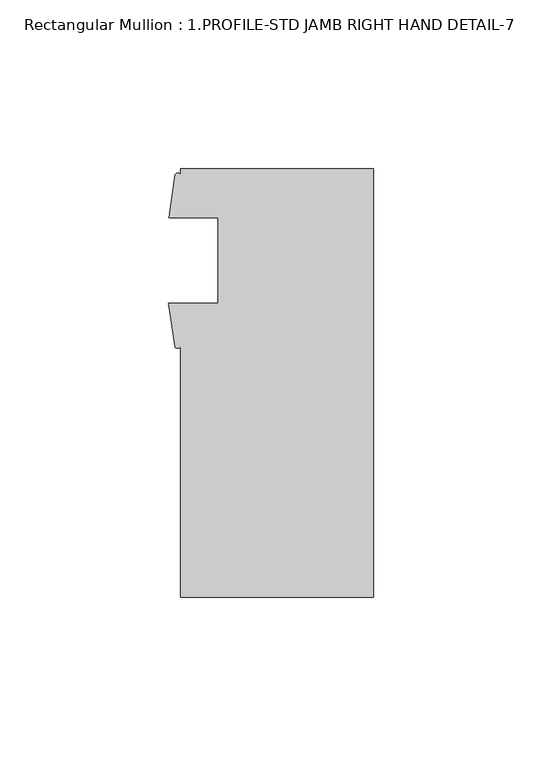
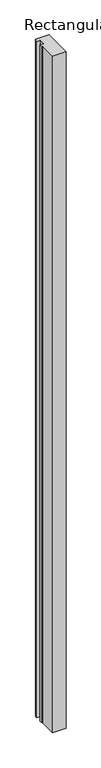
"""IFC4 building model written with IfcOpenShell, lengths in millimetres: member geometry, Rectangular Mullion : 1.PROFILE-STD JAMB RIGHT HAND DETAIL-7."""

from ifc_helpers import new_model, si_unit, point, frame, frame_2d, origin, place, context, project, spatial, polyline, circle_curve, trimmed, segment, composite_curve, outline, extrude, source, transform, mapped, element, save


def rectangular_mullion_1_profile_std_jamb_right_hand_detail_7_5f39181d(model_context):
    return source(origin(), model_context, "Body", "SweptSolid", [
        extrude(outline(composite_curve([segment(polyline([(0.0, -66.2412316), (-57.15, -66.2412316), (-57.15, 8.0821906)]), True, "CONTINUOUS"), segment(trimmed(circle_curve(frame_2d((-57.9817022, 8.6024897)), 0.9810401), [point((-57.15, 8.0821906))], [point((-58.8134044, 8.0821906))], False, "CARTESIAN"), True, "CONTINUOUS"), segment(polyline([(-58.8134044, 8.0821906), (-60.6695217, 20.8552434), (-46.0375, 20.8552434), (-46.0375, 46.2552434), (-60.546, 46.2552434), (-58.7358963, 59.026531)]), True, "CONTINUOUS"), segment(trimmed(circle_curve(frame_2d((-57.9429481, 58.5553073)), 0.9223982), [point((-58.7358963, 59.026531))], [point((-57.15, 59.026531))], False, "CARTESIAN"), True, "CONTINUOUS"), segment(polyline([(-57.15, 59.026531), (-57.15, 60.7587684), (0.0, 60.7587684), (0.0, -66.2412316)]), True, "CONTINUOUS")], self_intersect=False)), frame((0.0, 0.0, -3048.0), z_axis=(0.0, 0.0, 1.0), x_axis=(1.0, 0.0, 0.0)), (0.0, 0.0, 1.0), 3048.0),
    ])


if __name__ == "__main__":
    model = new_model("IFC4")
    model_context = context("Model", 3, world=origin())
    ifc_project = project(units=[si_unit("LENGTHUNIT", "METRE", prefix="MILLI")], contexts=[model_context])
    site = spatial("IfcSite", under=ifc_project)
    building = spatial("IfcBuilding", under=site)
    placement = place(None, origin())
    rectangular_mullion_1_profile_std_jamb_right_hand_detail_7_shape = rectangular_mullion_1_profile_std_jamb_right_hand_detail_7_5f39181d(model_context)
    element("IfcMember", 1, ObjectType="Rectangular Mullion : 1.PROFILE-STD JAMB RIGHT HAND DETAIL-7", at=placement, inside=building, context=model_context, shape_type="MappedRepresentation", body=[
        mapped(rectangular_mullion_1_profile_std_jamb_right_hand_detail_7_shape, transform((0.0, 0.0, 0.0), x_axis=(1.0, 0.0, 0.0), y_axis=(0.0, 1.0, 0.0), z_axis=(0.0, 0.0, 1.0))),
    ])
    save(model, "model.ifc")
